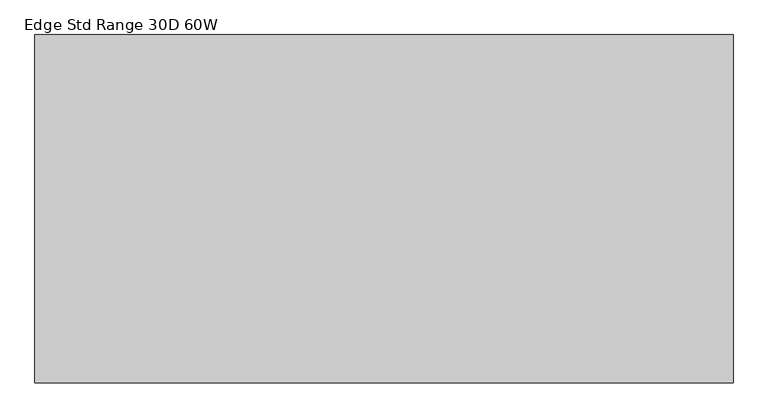
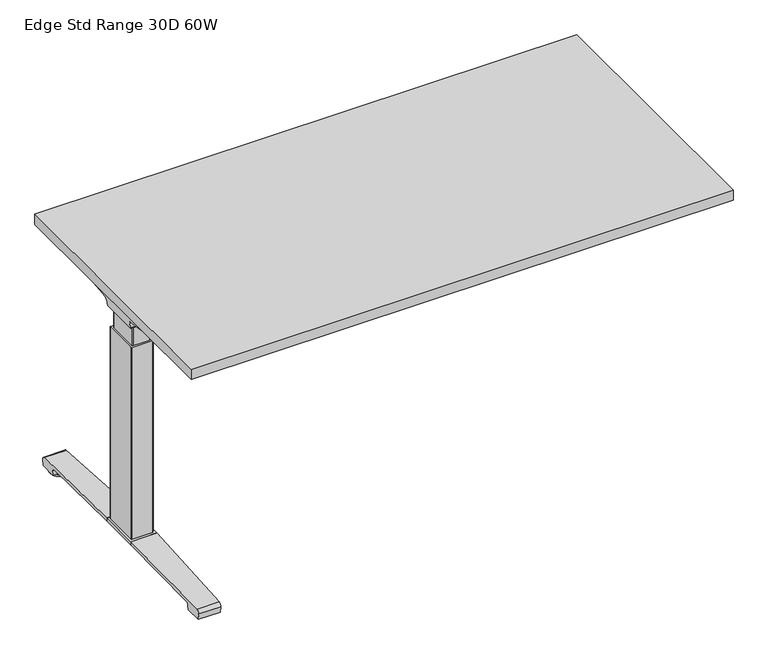
"""IFC4 building model written with IfcOpenShell, lengths in millimetres: furniture geometry, Edge Std Range 30D 60W."""

from ifc_helpers import new_model, si_unit, point, frame, frame_2d, origin, place, context, project, spatial, polyline, circle_curve, ellipse_curve, trimmed, segment, composite_curve, outline, extrude, source, transform, mapped, element, save
from ifc_brep_helpers import plane_surface, cylinder_surface, revolved_surface, advanced_brep


def edge_std_range_30d_60w_d3fcf947(model_context):
    return source(origin(), model_context, "Body", "SolidModel", [
        extrude(outline(polyline([(735.076, 366.776), (735.076, -366.776), (-735.076, -366.776), (-735.076, 366.776), (735.076, 366.776)])), frame((0.0, 0.0, 707.009), z_axis=(0.0, 0.0, 1.0), x_axis=(1.0, 0.0, 0.0)), (0.0, 0.0, 1.0), 29.591),
        advanced_brep(
        [(-718.7406297, 53.5092702, 658.5915733), (-553.0122138, 53.5092702, 658.5915733), (-567.3924181, 51.2808169, 655.9442785), (-716.2518591, 51.2808169, 655.9442785), (-718.9625278, 53.518256, 658.8276054), (-721.3619089, 54.1622827, 675.7443054), (-538.5773962, 54.1622827, 675.7443054), (-538.5773962, 53.8142965, 666.6037253), (-541.4075093, 53.7331058, 664.4710821), (-541.5501644, 53.6554397, 662.4310191), (-722.2185362, 59.6293181, 681.7839076), (-538.5773962, 59.6293181, 681.7839076), (-724.7393767, 174.2005225, 699.5569507), (-660.5243442, 174.2005225, 699.5569507), (-538.5773962, 93.3958, 687.0219877), (-724.8128152, 177.9765275, 700.0747243), (-666.2229255, 177.9765275, 700.0747243), (-725.4871296, 179.4867839, 704.8289399), (-723.7021288, 176.9098888, 707.009), (-664.6132011, 176.9098888, 707.009), (-725.4871296, -179.4867839, 704.8289399), (-724.8128152, -177.9765275, 700.0747243), (-666.2229255, -177.9765275, 700.0747243), (-664.6132011, -176.9098888, 707.009), (-723.7021288, -176.9098888, 707.009), (-724.7393767, -174.2005225, 699.5569507), (-660.5243442, -174.2005225, 699.5569507), (-722.2185362, -59.6293181, 681.7839076), (-538.5773962, -59.6293181, 681.7839076), (-538.5773962, -93.3958, 687.0219877), (-721.3619089, -54.1622827, 675.7443054), (-538.5773962, -54.1622827, 675.7443054), (-718.9625278, -53.518256, 658.8276054), (-718.7406297, -53.5092702, 658.5915733), (-553.0122138, -53.5092702, 658.5915733), (-541.5501644, -53.6554397, 662.4310191), (-541.4075093, -53.7331058, 664.4710821), (-538.5773962, -53.8142965, 666.6037253), (-716.2518591, -51.2808169, 655.9442785), (-567.3924181, -51.2808169, 655.9442785), (-538.5773962, -93.3958, 707.009), (-538.5773962, 93.3958, 707.009)],
        [
            (0, 1),
            (1, 2, ellipse_curve(frame((-577.2936465, 130.5470009, 750.1086722), z_axis=(0.0, 0.7650318638532662, -0.6439924279750482), x_axis=(0.0, 0.6439924279750482, 0.7650318638532662)), 123.7641411, 94.6835116)),
            (2, 3),
            (3, 0),
            (0, 4),
            (4, 5),
            (5, 6),
            (6, 7),
            (7, 8),
            (8, 9),
            (9, 1, ellipse_curve(frame((-577.2936465, 56.9933686, 750.1086722), z_axis=(0.0, 0.999276106683639, -0.03804290487316255), x_axis=(0.0, 0.03804290487316397, 0.999276106683639)), 94.752102, 94.6835116)),
            (5, 10, ellipse_curve(frame((-721.3119691, 60.6208409, 675.3922075), z_axis=(-0.990090671484964, 0.0, -0.14042956326377007), x_axis=(-0.1404295632637696, 0.0, 0.990090671484964)), 6.5328852, 6.4681487)),
            (10, 11),
            (11, 6, circle_curve(frame((-538.5773962, 60.6208409, 675.3922075), z_axis=(1.0, 0.0, 0.0), x_axis=(0.0, 1.0, 0.0)), 6.4681487)),
            (10, 12),
            (12, 13),
            (13, 14),
            (14, 11),
            (12, 15),
            (15, 16),
            (16, 13),
            (15, 17, ellipse_curve(frame((-725.2730772, 175.9994111, 703.3197755), z_axis=(0.990090671484964, 0.0, 0.14042956326377007), x_axis=(0.1404295632637696, 0.0, -0.990090671484964)), 3.8379455, 3.7999141)),
            (17, 18, ellipse_curve(frame((-726.722811, 175.9994111, 703.3197755), z_axis=(0.7737284588433301, 0.0, -0.6335173809580328), x_axis=(0.6335173809580328, 0.0, 0.77372845884333)), 4.9111727, 3.7999141)),
            (18, 19),
            (19, 16, ellipse_curve(frame((-663.239148, 175.9994111, 703.3197755), z_axis=(-0.5523637579768189, -0.8336031902972338, 0.0), x_axis=(0.8336031902972338, -0.5523637579768189, 0.0)), 6.8793689, 3.7999141)),
            (20, 21, ellipse_curve(frame((-725.2730772, -175.9994111, 703.3197755), z_axis=(0.990090671484964, 0.0, 0.14042956326377007), x_axis=(0.1404295632637696, 0.0, -0.990090671484964)), 3.8379455, 3.7999141)),
            (21, 22),
            (22, 23, ellipse_curve(frame((-663.239148, -175.9994111, 703.3197755), z_axis=(-0.5523637579750432, 0.8336031902984106, 0.0), x_axis=(0.8336031902984103, 0.5523637579750432, 0.0)), 6.8793689, 3.7999141)),
            (23, 24),
            (24, 20, ellipse_curve(frame((-726.722811, -175.9994111, 703.3197755), z_axis=(0.7737284588433301, 0.0, -0.6335173809580328), x_axis=(0.6335173809580328, 0.0, 0.77372845884333)), 4.9111727, 3.7999141)),
            (21, 25),
            (25, 26),
            (26, 22),
            (27, 28),
            (28, 29),
            (29, 26),
            (25, 27),
            (27, 30, ellipse_curve(frame((-721.3119691, -60.6208409, 675.3922075), z_axis=(-0.990090671484964, 0.0, -0.14042956326377007), x_axis=(-0.1404295632637696, 0.0, 0.990090671484964)), 6.5328852, 6.4681487)),
            (30, 31),
            (31, 28, circle_curve(frame((-538.5773962, -60.6208409, 675.3922075), z_axis=(1.0, 0.0, 0.0), x_axis=(0.0, 1.0, 0.0)), 6.4681487)),
            (30, 32),
            (32, 33),
            (33, 34),
            (34, 35, ellipse_curve(frame((-577.2936465, -56.9933686, 750.1086722), z_axis=(0.0, -0.9992761066836363, -0.03804290487323539), x_axis=(0.0, 0.03804290487323121, -0.9992761066836364)), 94.752102, 94.6835116)),
            (35, 36),
            (36, 37),
            (37, 31),
            (33, 38),
            (38, 39),
            (39, 34, ellipse_curve(frame((-577.2936465, -130.5470009, 750.1086722), z_axis=(0.0, -0.7650318638534733, -0.643992427974802), x_axis=(0.0, 0.643992427974802, -0.7650318638534732)), 123.7641411, 94.6835116)),
            (4, 32),
            (20, 17),
            (24, 18),
            (23, 40),
            (40, 41),
            (41, 19),
            (37, 7),
            (14, 41),
            (40, 29),
            (36, 8),
            (35, 9),
            (39, 2),
            (38, 3),
        ],
        [
            plane_surface(frame((-741.7773962, 51.2808169, 655.9442785), z_axis=(0.0, 0.7650318638532662, -0.6439924279750482), x_axis=(1.0, 0.0, 0.0))),
            plane_surface(frame((-741.7773962, 53.5092702, 658.5915733), z_axis=(0.0, 0.999276106683639, -0.03804290487316255), x_axis=(1.0, 0.0, 0.0))),
            revolved_surface(polyline([(-722.2293793154884, 67.08898959999999, 675.3922075), (-538.5773962, 67.08898959999999, 675.3922075)]), (-741.7773962, 60.6208409, 675.3922075), (-1.0, 0.0, 0.0)),
            plane_surface(frame((-741.7773962, 59.6293181, 681.7839076), z_axis=(0.0, 0.153293135871396, -0.9881807600306302), x_axis=(1.0, 0.0, 0.0))),
            plane_surface(frame((-741.7773962, 174.2005225, 699.5569507), z_axis=(0.0, 0.13585085469026903, -0.9907292996979162), x_axis=(1.0, 0.0, 0.0))),
            cylinder_surface(frame((-741.7773962, 175.9994111, 703.3197755), z_axis=(1.0, 0.0, 0.0), x_axis=(0.0, 1.0, 0.0)), 3.7999141),
            cylinder_surface(frame((-741.7773962, -175.9994111, 703.3197755), z_axis=(1.0, 0.0, 0.0), x_axis=(0.0, 1.0, 0.0)), 3.7999141),
            plane_surface(frame((-741.7773962, -177.9765275, 700.0747243), z_axis=(0.0, -0.13585085468791205, -0.9907292996982394), x_axis=(1.0, 0.0, 0.0))),
            plane_surface(frame((-741.7773962, -174.2005225, 699.5569507), z_axis=(0.0, -0.1532931358714066, -0.9881807600306285), x_axis=(1.0, 0.0, 0.0))),
            revolved_surface(polyline([(-722.2293793154884, -54.1526922, 675.3922075), (-538.5773962, -54.1526922, 675.3922075)]), (-741.7773962, -60.6208409, 675.3922075), (-1.0, 0.0, 0.0)),
            plane_surface(frame((-741.7773962, -54.1622827, 675.7443054), z_axis=(0.0, -0.9992761066836363, -0.03804290487323539), x_axis=(1.0, 0.0, 0.0))),
            plane_surface(frame((-741.7773962, -53.5092702, 658.5915733), z_axis=(0.0, -0.7650318638534733, -0.643992427974802), x_axis=(1.0, 0.0, 0.0))),
            plane_surface(frame((-718.9625278, 190.5, 658.8276054), z_axis=(-0.990090671484964, 0.0, -0.14042956326377007), x_axis=(0.0, -1.0, 0.0))),
            plane_surface(frame((-725.4871296, 190.5, 704.8289399), z_axis=(-0.7737284588433301, 0.0, 0.6335173809580328), x_axis=(0.0, -1.0, 0.0))),
            plane_surface(frame((-723.7021288, 190.5, 707.009), z_axis=(0.0, 0.0, 1.0), x_axis=(0.0, -1.0, 0.0))),
            plane_surface(frame((-538.5773962, 190.5, 707.009), z_axis=(1.0, 0.0, 0.0), x_axis=(0.0, -1.0, 0.0))),
            plane_surface(frame((-538.5773962, 190.5, 666.6037253), z_axis=(0.6018150231516033, 0.0, -0.7986355100476283), x_axis=(0.0, -1.0, 0.0))),
            plane_surface(frame((-541.4075093, 190.5, 664.4710821), z_axis=(0.9975640502600355, 0.0, -0.06975647374110414), x_axis=(0.0, -1.0, 0.0))),
            cylinder_surface(frame((-577.2936465, 190.5, 750.1086722), z_axis=(0.0, 1.0, 0.0), x_axis=(1.0, 0.0, 0.0)), 94.6835116),
            plane_surface(frame((-567.3924181, 190.5, 655.9442785), z_axis=(0.0, 0.0, -1.0), x_axis=(0.0, -1.0, 0.0))),
            plane_surface(frame((-716.2518591, 190.5, 655.9442785), z_axis=(-0.728584606419653, 0.0, -0.6849558170337118), x_axis=(0.0, -1.0, 0.0))),
            plane_surface(frame((-685.1228017, 190.5, 707.009), z_axis=(0.5523637579768189, 0.8336031902972338, 0.0), x_axis=(0.0, 0.0, -1.0))),
            plane_surface(frame((-538.5773962, -93.3958, 707.009), z_axis=(0.5523637579750432, -0.8336031902984106, 0.0), x_axis=(0.0, 0.0, -1.0))),
        ],
        [
            (0, [[1, 2, 3, 4]]),
            (1, [[-1, 5, 6, 7, 8, 9, 10, 11]]),
            (2, [[-7, 12, 13, 14]]),
            (3, [[-13, 15, 16, 17, 18]]),
            (4, [[19, 20, 21, -16]]),
            (5, [[22, 23, 24, 25, -20]]),
            (6, [[26, 27, 28, 29, 30]]),
            (7, [[31, 32, 33, -27]]),
            (8, [[34, 35, 36, -32, 37]]),
            (9, [[-34, 38, 39, 40]]),
            (10, [[-39, 41, 42, 43, 44, 45, 46, 47]]),
            (11, [[-43, 48, 49, 50]]),
            (12, [[51, -41, -38, -37, -31, -26, 52, -22, -19, -15, -12, -6]]),
            (13, [[-52, -30, 53, -23]]),
            (14, [[-53, -29, 54, 55, 56, -24]]),
            (15, [[57, -8, -14, -18, 58, -55, 59, -35, -40, -47]]),
            (16, [[-57, -46, 60, -9]]),
            (17, [[-60, -45, 61, -10]]),
            (18, [[-61, -44, -50, 62, -2, -11]]),
            (19, [[-62, -49, 63, -3]]),
            (20, [[-51, -5, -4, -63, -48, -42]]),
            (21, [[-56, -58, -17, -21, -25]]),
            (22, [[-54, -28, -33, -36, -59]]),
        ],
    ),
        advanced_brep(
        [(553.0122138, 53.5092702, 658.5915733), (718.7406297, 53.5092702, 658.5915733), (716.2518591, 51.2808169, 655.9442785), (567.3924181, 51.2808169, 655.9442785), (541.5501644, 53.6554397, 662.4310191), (541.4075093, 53.7331058, 664.4710821), (538.7619573, 53.8090018, 666.4646485), (538.7619573, 54.1622827, 675.7443054), (721.3619089, 54.1622827, 675.7443054), (718.9625278, 53.518256, 658.8276054), (538.7619573, 59.6293181, 681.7839076), (722.2185362, 59.6293181, 681.7839076), (538.7619573, 93.3889953, 687.0209321), (660.5570453, 174.2005225, 699.5569507), (724.7393767, 174.2005225, 699.5569507), (724.8128152, 177.9765275, 700.0747243), (666.2480509, 177.9765275, 700.0747243), (725.4871296, 179.4867839, 704.8289399), (664.6404665, 176.9098888, 707.009), (723.7021288, 176.9098888, 707.009), (724.8128152, -177.9765275, 700.0747243), (725.4871296, -179.4867839, 704.8289399), (723.7021288, -176.9098888, 707.009), (664.6404665, -176.9098888, 707.009), (666.2480509, -177.9765275, 700.0747243), (724.7393767, -174.2005225, 699.5569507), (660.5570453, -174.2005225, 699.5569507), (538.7619573, -59.6293181, 681.7839076), (722.2185362, -59.6293181, 681.7839076), (538.7619573, -93.3889953, 687.0209321), (538.7619573, -54.1622827, 675.7443054), (721.3619089, -54.1622827, 675.7443054), (538.7619573, -53.8090018, 666.4646485), (541.4075093, -53.7331058, 664.4710821), (541.5501644, -53.6554397, 662.4310191), (553.0122138, -53.5092702, 658.5915733), (718.7406297, -53.5092702, 658.5915733), (718.9625278, -53.518256, 658.8276054), (567.3924181, -51.2808169, 655.9442785), (716.2518591, -51.2808169, 655.9442785), (538.7619573, 93.3889953, 707.009), (538.7619573, -93.3889953, 707.009)],
        [
            (0, 1),
            (1, 2),
            (2, 3),
            (3, 0, ellipse_curve(frame((577.2936465, 130.5470009, 750.1086722), z_axis=(0.0, 0.7650318638532565, -0.6439924279750596), x_axis=(0.0, -0.6439924279750596, -0.7650318638532564)), 123.7641411, 94.6835116)),
            (0, 4, ellipse_curve(frame((577.2936465, 56.9933686, 750.1086722), z_axis=(0.0, 0.9992761066836392, -0.03804290487315862), x_axis=(0.0, -0.03804290487315623, -0.9992761066836393)), 94.752102, 94.6835116)),
            (4, 5),
            (5, 6),
            (6, 7),
            (7, 8),
            (8, 9),
            (9, 1),
            (7, 10, circle_curve(frame((538.7619573, 60.6208409, 675.3922075), z_axis=(-1.0, 0.0, 0.0), x_axis=(0.0, 1.0, 0.0)), 6.4681487)),
            (10, 11),
            (11, 8, ellipse_curve(frame((721.3119691, 60.6208409, 675.3922075), z_axis=(0.9900906714849659, 0.0, -0.1404295632637567), x_axis=(-0.1404295632637562, 0.0, -0.9900906714849659)), 6.5328852, 6.4681487)),
            (10, 12),
            (12, 13),
            (13, 14),
            (14, 11),
            (15, 14),
            (13, 16),
            (16, 15),
            (17, 15, ellipse_curve(frame((725.2730772, 175.9994111, 703.3197755), z_axis=(-0.9900906714849659, 0.0, 0.1404295632637567), x_axis=(0.1404295632637562, 0.0, 0.9900906714849659)), 3.8379455, 3.7999141)),
            (16, 18, ellipse_curve(frame((663.26824, 175.9994111, 703.3197755), z_axis=(0.5528743936295483, -0.8332646067539168, 0.0), x_axis=(0.8332646067539167, 0.5528743936295484, 0.0)), 6.8730151, 3.7999141)),
            (18, 19),
            (19, 17, ellipse_curve(frame((726.722811, 175.9994111, 703.3197755), z_axis=(-0.7737284588399557, 0.0, -0.633517380962154), x_axis=(0.6335173809621538, 0.0, -0.7737284588399556)), 4.9111727, 3.7999141)),
            (20, 21, ellipse_curve(frame((725.2730772, -175.9994111, 703.3197755), z_axis=(-0.9900906714849659, 0.0, 0.1404295632637567), x_axis=(0.1404295632637562, 0.0, 0.9900906714849659)), 3.8379455, 3.7999141)),
            (21, 22, ellipse_curve(frame((726.722811, -175.9994111, 703.3197755), z_axis=(-0.7737284588399557, 0.0, -0.633517380962154), x_axis=(0.6335173809621538, 0.0, -0.7737284588399556)), 4.9111727, 3.7999141)),
            (22, 23),
            (23, 24, ellipse_curve(frame((663.26824, -175.9994111, 703.3197755), z_axis=(0.5528743936295337, 0.8332646067539264, 0.0), x_axis=(0.8332646067539262, -0.5528743936295338, 0.0)), 6.8730151, 3.7999141)),
            (24, 20),
            (25, 20),
            (24, 26),
            (26, 25),
            (27, 28),
            (28, 25),
            (26, 29),
            (29, 27),
            (27, 30, circle_curve(frame((538.7619573, -60.6208409, 675.3922075), z_axis=(-1.0, 0.0, 0.0), x_axis=(0.0, 1.0, 0.0)), 6.4681487)),
            (30, 31),
            (31, 28, ellipse_curve(frame((721.3119691, -60.6208409, 675.3922075), z_axis=(0.9900906714849659, 0.0, -0.1404295632637567), x_axis=(-0.1404295632637562, 0.0, -0.9900906714849659)), 6.5328852, 6.4681487)),
            (30, 32),
            (32, 33),
            (33, 34),
            (34, 35, ellipse_curve(frame((577.2936465, -56.9933686, 750.1086722), z_axis=(0.0, -0.9992761066836363, -0.03804290487323539), x_axis=(0.0, -0.03804290487323121, 0.9992761066836364)), 94.752102, 94.6835116)),
            (35, 36),
            (36, 37),
            (37, 31),
            (35, 38, ellipse_curve(frame((577.2936465, -130.5470009, 750.1086722), z_axis=(0.0, -0.7650318638534733, -0.643992427974802), x_axis=(0.0, -0.643992427974802, 0.7650318638534732)), 123.7641411, 94.6835116)),
            (38, 39),
            (39, 36),
            (37, 9),
            (17, 21),
            (19, 22),
            (18, 40),
            (40, 41),
            (41, 23),
            (6, 32),
            (29, 41),
            (40, 12),
            (5, 33),
            (4, 34),
            (3, 38),
            (2, 39),
        ],
        [
            plane_surface(frame((538.7619573, 51.2808169, 655.9442785), z_axis=(0.0, 0.7650318638532565, -0.6439924279750596), x_axis=(1.0, 0.0, 0.0))),
            plane_surface(frame((538.7619573, 53.5092702, 658.5915733), z_axis=(0.0, 0.9992761066836392, -0.03804290487315862), x_axis=(1.0, 0.0, 0.0))),
            revolved_surface(polyline([(538.7619573, 67.08898959999999, 675.3922075), (722.2293793154884, 67.08898959999999, 675.3922075)]), (538.7619573, 60.6208409, 675.3922075), (-1.0, 0.0, 0.0)),
            plane_surface(frame((538.7619573, 59.6293181, 681.7839076), z_axis=(0.0, 0.15329313587140309, -0.988180760030629), x_axis=(1.0, 0.0, 0.0))),
            plane_surface(frame((538.7619573, 174.2005225, 699.5569507), z_axis=(0.0, 0.1358508546900816, -0.9907292996979419), x_axis=(1.0, 0.0, 0.0))),
            cylinder_surface(frame((538.7619573, 175.9994111, 703.3197755), z_axis=(1.0, 0.0, 0.0), x_axis=(0.0, 1.0, 0.0)), 3.7999141),
            cylinder_surface(frame((538.7619573, -175.9994111, 703.3197755), z_axis=(1.0, 0.0, 0.0), x_axis=(0.0, 1.0, 0.0)), 3.7999141),
            plane_surface(frame((538.7619573, -177.9765275, 700.0747243), z_axis=(0.0, -0.1358508546877776, -0.9907292996982578), x_axis=(1.0, 0.0, 0.0))),
            plane_surface(frame((538.7619573, -174.2005225, 699.5569507), z_axis=(0.0, -0.15329313587141113, -0.9881807600306277), x_axis=(1.0, 0.0, 0.0))),
            revolved_surface(polyline([(538.7619573, -54.1526922, 675.3922075), (722.2293793154884, -54.1526922, 675.3922075)]), (538.7619573, -60.6208409, 675.3922075), (-1.0, 0.0, 0.0)),
            plane_surface(frame((538.7619573, -54.1622827, 675.7443054), z_axis=(0.0, -0.9992761066836363, -0.03804290487323539), x_axis=(1.0, 0.0, 0.0))),
            plane_surface(frame((538.7619573, -53.5092702, 658.5915733), z_axis=(0.0, -0.7650318638534733, -0.643992427974802), x_axis=(1.0, 0.0, 0.0))),
            plane_surface(frame((718.9625278, -190.5, 658.8276054), z_axis=(0.9900906714849659, 0.0, -0.1404295632637567), x_axis=(0.0, 1.0, 0.0))),
            plane_surface(frame((725.4871296, -190.5, 704.8289399), z_axis=(0.7737284588399557, 0.0, 0.633517380962154), x_axis=(0.0, 1.0, 0.0))),
            plane_surface(frame((723.7021288, -190.5, 707.009), z_axis=(0.0, 0.0, 1.0), x_axis=(0.0, 1.0, 0.0))),
            plane_surface(frame((538.7619573, -190.5, 707.009), z_axis=(-1.0, 0.0, 0.0), x_axis=(0.0, 1.0, 0.0))),
            plane_surface(frame((538.7619573, -190.5, 666.4646485), z_axis=(-0.6018150231540825, 0.0, -0.7986355100457599), x_axis=(0.0, 1.0, 0.0))),
            plane_surface(frame((541.4075093, -190.5, 664.4710821), z_axis=(-0.9975640502598242, 0.0, -0.06975647374412697), x_axis=(0.0, 1.0, 0.0))),
            cylinder_surface(frame((577.2936465, -190.5, 750.1086722), z_axis=(0.0, -1.0, 0.0), x_axis=(-1.0, 0.0, 0.0)), 94.6835116),
            plane_surface(frame((567.3924181, -190.5, 655.9442785), z_axis=(0.0, 0.0, -1.0), x_axis=(0.0, 1.0, 0.0))),
            plane_surface(frame((716.2518591, -190.5, 655.9442785), z_axis=(0.7285846064222866, 0.0, -0.6849558170309101), x_axis=(0.0, 1.0, 0.0))),
            plane_surface(frame((538.7619573, 93.3889953, 707.009), z_axis=(-0.5528743936295483, 0.8332646067539168, 0.0), x_axis=(0.0, 0.0, -1.0))),
            plane_surface(frame((685.1228017, -190.5, 707.009), z_axis=(-0.5528743936295337, -0.8332646067539264, 0.0), x_axis=(0.0, 0.0, -1.0))),
        ],
        [
            (0, [[1, 2, 3, 4]]),
            (1, [[-1, 5, 6, 7, 8, 9, 10, 11]]),
            (2, [[-9, 12, 13, 14]]),
            (3, [[-13, 15, 16, 17, 18]]),
            (4, [[19, -17, 20, 21]]),
            (5, [[22, -21, 23, 24, 25]]),
            (6, [[26, 27, 28, 29, 30]]),
            (7, [[31, -30, 32, 33]]),
            (8, [[34, 35, -33, 36, 37]]),
            (9, [[-34, 38, 39, 40]]),
            (10, [[-39, 41, 42, 43, 44, 45, 46, 47]]),
            (11, [[-45, 48, 49, 50]]),
            (12, [[51, -10, -14, -18, -19, -22, 52, -26, -31, -35, -40, -47]]),
            (13, [[-52, -25, 53, -27]]),
            (14, [[-53, -24, 54, 55, 56, -28]]),
            (15, [[57, -41, -38, -37, 58, -55, 59, -15, -12, -8]]),
            (16, [[-57, -7, 60, -42]]),
            (17, [[-60, -6, 61, -43]]),
            (18, [[-61, -5, -4, 62, -48, -44]]),
            (19, [[-62, -3, 63, -49]]),
            (20, [[-51, -46, -50, -63, -2, -11]]),
            (21, [[-54, -23, -20, -16, -59]]),
            (22, [[-56, -58, -36, -32, -29]]),
        ],
    ),
        advanced_brep(
        [(-538.5773962, 78.6831697, 701.7794894), (-538.5773962, 80.4475242, 704.0075511), (-538.5773962, 91.4281225, 704.0075511), (-538.5773962, 92.1582919, 701.4093085), (-538.5773962, 70.7319108, 671.8462148), (-538.5773962, 53.3310914, 663.2452863), (-538.5773962, -53.4567844, 663.2452863), (-538.5773962, -71.0845783, 672.2997482), (-538.5773962, -92.4192862, 702.0706054), (-538.5773962, -90.7807234, 704.1266572), (-538.5773962, -80.5655902, 704.1266572), (-538.5773962, -78.6946152, 701.7794894), (-538.5773962, -79.4358363, 701.2423822), (-538.5773962, -81.0060637, 703.2122572), (-538.5773962, -90.6846762, 703.2122572), (-538.5773962, -91.4905649, 702.3444366), (-538.5773962, -70.3413256, 672.8323858), (-538.5773962, -53.4567844, 664.1598536), (-538.5773962, 53.3310914, 664.1596863), (-538.5773962, 69.99844, 672.3923713), (-538.5773962, 91.3521627, 701.8552144), (-538.5773962, 91.0948942, 703.0931511), (-538.5773962, 80.889809, 703.0931511), (-538.5773962, 79.4242719, 701.2424419), (538.7619573, 78.6831697, 701.7794894), (538.7619573, 79.4242719, 701.2424419), (538.7619573, 80.889809, 703.0931511), (538.7619573, 91.0948942, 703.0931511), (538.7619573, 91.3521627, 701.8552144), (538.7619573, 69.99844, 672.3923713), (538.7619573, 53.3310914, 664.1596863), (538.7619573, -53.4567845, 664.1596863), (538.7619573, -70.3413256, 672.8323858), (538.7619573, -91.4905649, 702.3444366), (538.7619573, -90.6846762, 703.2122572), (538.7619573, -81.0060637, 703.2122572), (538.7619573, -79.4358363, 701.2423822), (538.7619573, -78.6946152, 701.7794894), (538.7619573, -80.5655902, 704.1266572), (538.7619573, -90.7807234, 704.1266572), (538.7619573, -92.4192862, 702.0706054), (538.7619573, -71.0845783, 672.2997482), (538.7619573, -53.4567844, 663.2454536), (538.7619573, 53.3310914, 663.2452863), (538.7619573, 70.7319108, 671.8462148), (538.7619573, 92.1582919, 701.4093085), (538.7619573, 91.4281225, 704.0075511), (538.7619573, 80.4475242, 704.0075511)],
        [
            (0, 1),
            (1, 2),
            (2, 3, circle_curve(frame((-538.5773962, 90.2105576, 702.2636667), z_axis=(-1.0, 0.0, 0.0), x_axis=(0.0, 1.0, 0.0)), 2.1268749)),
            (3, 4),
            (4, 5, circle_curve(frame((-538.5773962, 53.3310914, 685.1478336), z_axis=(-1.0, 0.0, 0.0), x_axis=(0.0, 1.0, 0.0)), 21.9025472)),
            (5, 6),
            (6, 7, circle_curve(frame((-538.5773962, -53.4567844, 684.932365), z_axis=(-1.0, 0.0, 0.0), x_axis=(0.0, 1.0, 0.0)), 21.6869114)),
            (7, 8),
            (8, 9, circle_curve(frame((-538.5773962, -90.4189365, 702.1573833), z_axis=(-1.0, 0.0, 0.0), x_axis=(0.0, 1.0, 0.0)), 2.0022311)),
            (9, 10),
            (10, 11),
            (11, 12),
            (12, 13),
            (13, 14),
            (14, 15, circle_curve(frame((-538.5773962, -90.4189365, 702.1573833), z_axis=(1.0, 0.0, 0.0), x_axis=(0.0, 1.0, 0.0)), 1.0878311)),
            (15, 16),
            (16, 17, circle_curve(frame((-538.5773962, -53.4567844, 684.932365), z_axis=(1.0, 0.0, 0.0), x_axis=(0.0, 1.0, 0.0)), 20.7725114)),
            (17, 18),
            (18, 19, circle_curve(frame((-538.5773962, 53.3310914, 685.1478336), z_axis=(1.0, 0.0, 0.0), x_axis=(0.0, 1.0, 0.0)), 20.9881473)),
            (19, 20),
            (20, 21, circle_curve(frame((-538.5773962, 90.2105576, 702.2636667), z_axis=(1.0, 0.0, 0.0), x_axis=(0.0, 1.0, 0.0)), 1.2124749)),
            (21, 22),
            (22, 23),
            (23, 0),
            (24, 25),
            (25, 26),
            (26, 27),
            (27, 28, circle_curve(frame((538.7619573, 90.2105576, 702.2636667), z_axis=(-1.0, 0.0, 0.0), x_axis=(0.0, 1.0, 0.0)), 1.2124749)),
            (28, 29),
            (29, 30, circle_curve(frame((538.7619573, 53.3310914, 685.1478336), z_axis=(-1.0, 0.0, 0.0), x_axis=(0.0, 1.0, 0.0)), 20.9881473)),
            (30, 31),
            (31, 32, circle_curve(frame((538.7619573, -53.4567844, 684.932365), z_axis=(-1.0, 0.0, 0.0), x_axis=(0.0, 1.0, 0.0)), 20.7725114)),
            (32, 33),
            (33, 34, circle_curve(frame((538.7619573, -90.4189365, 702.1573833), z_axis=(-1.0, 0.0, 0.0), x_axis=(0.0, 1.0, 0.0)), 1.0878311)),
            (34, 35),
            (35, 36),
            (36, 37),
            (37, 38),
            (38, 39),
            (39, 40, circle_curve(frame((538.7619573, -90.4189365, 702.1573833), z_axis=(1.0, 0.0, 0.0), x_axis=(0.0, 1.0, 0.0)), 2.0022311)),
            (40, 41),
            (41, 42, circle_curve(frame((538.7619573, -53.4567844, 684.932365), z_axis=(1.0, 0.0, 0.0), x_axis=(0.0, 1.0, 0.0)), 21.6869114)),
            (42, 43),
            (43, 44, circle_curve(frame((538.7619573, 53.3310914, 685.1478336), z_axis=(1.0, 0.0, 0.0), x_axis=(0.0, 1.0, 0.0)), 21.9025472)),
            (44, 45),
            (45, 46, circle_curve(frame((538.7619573, 90.2105576, 702.2636667), z_axis=(1.0, 0.0, 0.0), x_axis=(0.0, 1.0, 0.0)), 2.1268749)),
            (46, 47),
            (47, 24),
            (0, 24),
            (47, 1),
            (46, 2),
            (45, 3),
            (44, 4),
            (43, 5),
            (42, 6),
            (41, 7),
            (40, 8),
            (39, 9),
            (38, 10),
            (37, 11),
            (36, 12),
            (35, 13),
            (34, 14),
            (33, 15),
            (32, 16),
            (31, 17),
            (30, 18),
            (29, 19),
            (28, 20),
            (27, 21),
            (26, 22),
            (25, 23),
        ],
        [
            plane_surface(frame((-538.5773962, 0.0, 707.009), z_axis=(-1.0, 0.0, 0.0), x_axis=(0.0, 0.0, 1.0))),
            plane_surface(frame((538.7619573, 0.0, 707.009), z_axis=(1.0, 0.0, 0.0), x_axis=(0.0, 0.0, 1.0))),
            plane_surface(frame((-538.5773962, 78.6831697, 701.7794894), z_axis=(0.0, -0.7839649337165058, 0.6208051084703434), x_axis=(1.0, 0.0, 0.0))),
            plane_surface(frame((-538.5773962, 80.4475242, 704.0075511), z_axis=(0.0, 0.0, 1.0), x_axis=(1.0, 0.0, 0.0))),
            cylinder_surface(frame((-538.5773962, 90.2105576, 702.2636667), z_axis=(-1.0, 0.0, 0.0), x_axis=(0.0, 1.0, 0.0)), 2.1268749),
            plane_surface(frame((-538.5773962, 92.1582919, 701.4093085), z_axis=(0.0, 0.8096997445281038, -0.586844377762217), x_axis=(1.0, 0.0, 0.0))),
            cylinder_surface(frame((-538.5773962, 53.3310914, 685.1478336), z_axis=(-1.0, 0.0, 0.0), x_axis=(0.0, 1.0, 0.0)), 21.9025472),
            plane_surface(frame((-538.5773962, 53.3310914, 663.2452863), z_axis=(0.0, 0.0, -1.0), x_axis=(1.0, 0.0, 0.0))),
            cylinder_surface(frame((-538.5773962, -53.4567844, 684.932365), z_axis=(-1.0, 0.0, 0.0), x_axis=(0.0, 1.0, 0.0)), 21.6869114),
            plane_surface(frame((-538.5773962, -71.0845783, 672.2997482), z_axis=(0.0, -0.8128309997561537, -0.5824995844079305), x_axis=(1.0, 0.0, 0.0))),
            cylinder_surface(frame((-538.5773962, -90.4189365, 702.1573833), z_axis=(-1.0, 0.0, 0.0), x_axis=(0.0, 1.0, 0.0)), 2.0022311),
            plane_surface(frame((-538.5773962, -90.7807234, 704.1266572), z_axis=(0.0, 0.0, 1.0), x_axis=(1.0, 0.0, 0.0))),
            plane_surface(frame((-538.5773962, -80.5655902, 704.1266572), z_axis=(0.0, 0.7819660587237972, 0.6233210112004657), x_axis=(1.0, 0.0, 0.0))),
            plane_surface(frame((-538.5773962, -78.6946152, 701.7794894), z_axis=(0.0, 0.5867684336468096, -0.8097547809526473), x_axis=(1.0, 0.0, 0.0))),
            plane_surface(frame((-538.5773962, -79.4358363, 701.2423822), z_axis=(0.0, -0.7819660587239206, -0.6233210112003109), x_axis=(1.0, 0.0, 0.0))),
            plane_surface(frame((-538.5773962, -81.0060637, 703.2122572), z_axis=(0.0, 0.0, -1.0), x_axis=(1.0, 0.0, 0.0))),
            revolved_surface(polyline([(538.7619573000001, -89.3311054, 702.1573833), (-538.5773962, -89.3311054, 702.1573833)]), (-538.5773962, -90.4189365, 702.1573833), (1.0, 0.0, 0.0)),
            plane_surface(frame((-538.5773962, -91.4905649, 702.3444366), z_axis=(0.0, 0.8128309996716102, 0.582499584525904), x_axis=(1.0, 0.0, 0.0))),
            revolved_surface(polyline([(538.7619573000001, -32.684273, 684.932365), (-538.5773962, -32.684273, 684.932365)]), (-538.5773962, -53.4567844, 684.932365), (1.0, 0.0, 0.0)),
            plane_surface(frame((-538.5773962, -53.4567845, 664.1596863), z_axis=(0.0, 0.0, 1.0), x_axis=(1.0, 0.0, 0.0))),
            revolved_surface(polyline([(538.7619573000001, 74.3192387, 685.1478336), (-538.5773962, 74.3192387, 685.1478336)]), (-538.5773962, 53.3310914, 685.1478336), (1.0, 0.0, 0.0)),
            plane_surface(frame((-538.5773962, 69.99844, 672.3923713), z_axis=(0.0, -0.8096997449536107, 0.5868443771751228), x_axis=(1.0, 0.0, 0.0))),
            revolved_surface(polyline([(538.7619573000001, 91.4230325, 702.2636667), (-538.5773962, 91.4230325, 702.2636667)]), (-538.5773962, 90.2105576, 702.2636667), (1.0, 0.0, 0.0)),
            plane_surface(frame((-538.5773962, 91.0948942, 703.0931511), z_axis=(0.0, 0.0, -1.0), x_axis=(1.0, 0.0, 0.0))),
            plane_surface(frame((-538.5773962, 80.889809, 703.0931511), z_axis=(0.0, 0.7839649337164979, -0.6208051084703533), x_axis=(1.0, 0.0, 0.0))),
            plane_surface(frame((-538.5773962, 79.4242719, 701.2424419), z_axis=(0.0, -0.5867873637752554, -0.8097410633737715), x_axis=(1.0, 0.0, 0.0))),
        ],
        [
            (0, [[1, 2, 3, 4, 5, 6, 7, 8, 9, 10, 11, 12, 13, 14, 15, 16, 17, 18, 19, 20, 21, 22, 23, 24]]),
            (1, [[25, 26, 27, 28, 29, 30, 31, 32, 33, 34, 35, 36, 37, 38, 39, 40, 41, 42, 43, 44, 45, 46, 47, 48]]),
            (2, [[-1, 49, -48, 50]]),
            (3, [[-2, -50, -47, 51]]),
            (4, [[-3, -51, -46, 52]]),
            (5, [[-4, -52, -45, 53]]),
            (6, [[-5, -53, -44, 54]]),
            (7, [[-6, -54, -43, 55]]),
            (8, [[-7, -55, -42, 56]]),
            (9, [[-8, -56, -41, 57]]),
            (10, [[-9, -57, -40, 58]]),
            (11, [[-10, -58, -39, 59]]),
            (12, [[-11, -59, -38, 60]]),
            (13, [[-12, -60, -37, 61]]),
            (14, [[-13, -61, -36, 62]]),
            (15, [[-14, -62, -35, 63]]),
            (16, [[-15, -63, -34, 64]]),
            (17, [[-16, -64, -33, 65]]),
            (18, [[-17, -65, -32, 66]]),
            (19, [[-18, -66, -31, 67]]),
            (20, [[-19, -67, -30, 68]]),
            (21, [[-20, -68, -29, 69]]),
            (22, [[-21, -69, -28, 70]]),
            (23, [[-22, -70, -27, 71]]),
            (24, [[-23, -71, -26, 72]]),
            (25, [[-24, -72, -25, -49]]),
        ],
    ),
        extrude(outline(composite_curve([segment(polyline([(-85.2357617, 705.3739712), (-93.5160102, 705.3739712), (-94.0273408, 704.3565876), (-71.001647, 672.4872047)]), True, "CONTINUOUS"), segment(trimmed(circle_curve(frame_2d((-52.8576186, 688.0741393)), 23.9198306), [point((-71.001647, 672.4872047))], [point((-52.8576186, 664.1543087))], True, "CARTESIAN"), True, "CONTINUOUS"), segment(polyline([(-52.8576186, 664.1543087), (160.8304611, 664.1543087)]), True, "CONTINUOUS"), segment(trimmed(circle_curve(frame_2d((161.6245677, 686.2522042)), 22.1121593), [point((160.8304611, 664.1543087))], [point((179.5297793, 673.2771903))], True, "CARTESIAN"), True, "CONTINUOUS"), segment(polyline([(179.5297793, 673.2771903), (201.4820672, 703.5708273), (202.2225039, 703.0342821), (180.2702102, 672.740637)]), True, "CONTINUOUS"), segment(trimmed(circle_curve(frame_2d((161.6245677, 686.2522042)), 23.0265593), [point((180.2702102, 672.740637))], [point((160.814203, 663.2399087))], False, "CARTESIAN"), True, "CONTINUOUS"), segment(polyline([(160.814203, 663.2399087), (-52.8576186, 663.2399087)]), True, "CONTINUOUS"), segment(trimmed(circle_curve(frame_2d((-52.8576186, 688.0741393)), 24.8342306), [point((-52.8576186, 663.2399087))], [point((-71.7205231, 671.9208163))], False, "CARTESIAN"), True, "CONTINUOUS"), segment(polyline([(-71.7205231, 671.9208163), (-95.0936869, 704.2711252), (-94.0798316, 706.2883712), (-84.9968781, 706.2883712), (-85.2357617, 705.3739712)]), True, "CONTINUOUS")], self_intersect=False)), frame((-538.5773962, 0.0, 0.0), z_axis=(1.0, 0.0, 0.0), x_axis=(0.0, 1.0, 0.0)), (0.0, 0.0, 1.0), 1077.3393535),
        advanced_brep(
        [(662.3283088, 44.7482497, 655.9442785), (659.5624028, 42.3950111, 655.9442785), (659.5624028, -42.3786142, 655.9442785), (662.6159671, -44.728013, 655.9442785), (705.9299922, -44.7482497, 655.9442785), (708.9895972, -42.3785064, 655.9442785), (708.9895972, 42.3950956, 655.9442785), (706.2236912, 44.7482497, 655.9442785), (662.3283088, 44.7482497, 599.0990785), (706.2236912, 44.7482497, 599.0990785), (708.9895972, 42.3950956, 599.0990785), (708.9895972, -42.3785064, 599.0990785), (705.9360098, -44.7280077, 599.0990785), (662.6220078, -44.7482497, 599.0990785), (659.5624028, -42.3786142, 599.0990785), (659.5624028, 42.3950111, 599.0990785)],
        [
            (0, 1, circle_curve(frame((662.6300788, 41.5914719, 655.9442785), z_axis=(0.0, 0.0, 1.0), x_axis=(1.0, 0.0, 0.0)), 3.1711688)),
            (1, 2),
            (2, 3, circle_curve(frame((662.6159671, -41.568922, 655.9442785), z_axis=(0.0, 0.0, 1.0), x_axis=(1.0, 0.0, 0.0)), 3.1590911)),
            (3, 4),
            (4, 5, circle_curve(frame((705.9360098, -41.568922, 655.9442785), z_axis=(0.0, 0.0, 1.0), x_axis=(1.0, 0.0, 0.0)), 3.1590858)),
            (5, 6),
            (6, 7, circle_curve(frame((705.9219439, 41.5914698, 655.9442785), z_axis=(0.0, 0.0, 1.0), x_axis=(1.0, 0.0, 0.0)), 3.1711687)),
            (7, 0),
            (8, 9),
            (9, 10, circle_curve(frame((705.9219439, 41.5914698, 599.0990785), z_axis=(0.0, 0.0, -1.0), x_axis=(1.0, 0.0, 0.0)), 3.1711687)),
            (10, 11),
            (11, 12, circle_curve(frame((705.9360098, -41.568922, 599.0990785), z_axis=(0.0, 0.0, -1.0), x_axis=(1.0, 0.0, 0.0)), 3.1590858)),
            (12, 13),
            (13, 14, circle_curve(frame((662.6159671, -41.568922, 599.0990785), z_axis=(0.0, 0.0, -1.0), x_axis=(1.0, 0.0, 0.0)), 3.1590911)),
            (14, 15),
            (15, 8, circle_curve(frame((662.6300788, 41.5914719, 599.0990785), z_axis=(0.0, 0.0, -1.0), x_axis=(1.0, 0.0, 0.0)), 3.1711688)),
            (7, 9),
            (8, 0),
            (6, 10),
            (5, 11),
            (4, 12),
            (3, 13),
            (2, 14),
            (1, 15),
        ],
        [
            plane_surface(frame((665.8012476, 41.5914719, 655.9442785), z_axis=(0.0, 0.0, 1.0), x_axis=(0.0, 1.0, 0.0))),
            plane_surface(frame((665.8012476, 41.5914719, 599.0990785), z_axis=(0.0, 0.0, -1.0), x_axis=(0.0, -1.0, 0.0))),
            plane_surface(frame((706.2236912, 44.7482497, 655.9442785), z_axis=(0.0, 1.0, 0.0), x_axis=(0.0, 0.0, -1.0))),
            cylinder_surface(frame((705.9219439, 41.5914698, 599.0990785), z_axis=(0.0, 0.0, 1.0), x_axis=(1.0, 0.0, 0.0)), 3.1711687),
            plane_surface(frame((708.9895972, -42.3785064, 655.9442785), z_axis=(1.0, 0.0, 0.0), x_axis=(0.0, 0.0, -1.0))),
            cylinder_surface(frame((705.9360098, -41.568922, 599.0990785), z_axis=(0.0, 0.0, 1.0), x_axis=(1.0, 0.0, 0.0)), 3.1590858),
            plane_surface(frame((662.6220078, -44.7482497, 655.9442785), z_axis=(0.0, -1.0, 0.0), x_axis=(0.0, 0.0, -1.0))),
            cylinder_surface(frame((662.6159671, -41.568922, 599.0990785), z_axis=(0.0, 0.0, 1.0), x_axis=(1.0, 0.0, 0.0)), 3.1590911),
            plane_surface(frame((659.5624028, 42.3950111, 655.9442785), z_axis=(-1.0, 0.0, 0.0), x_axis=(0.0, 0.0, -1.0))),
            cylinder_surface(frame((662.6300788, 41.5914719, 599.0990785), z_axis=(0.0, 0.0, 1.0), x_axis=(1.0, 0.0, 0.0)), 3.1711688),
        ],
        [
            (0, [[1, 2, 3, 4, 5, 6, 7, 8]]),
            (1, [[9, 10, 11, 12, 13, 14, 15, 16]]),
            (2, [[-8, 17, -9, 18]]),
            (3, [[-7, 19, -10, -17]]),
            (4, [[-6, 20, -11, -19]]),
            (5, [[-5, 21, -12, -20]]),
            (6, [[-4, 22, -13, -21]]),
            (7, [[-3, 23, -14, -22]]),
            (8, [[-2, 24, -15, -23]]),
            (9, [[-1, -18, -16, -24]]),
        ],
    ),
        advanced_brep(
        [(-662.3283088, 44.7482497, 655.9442785), (-706.2236912, 44.7482497, 655.9442785), (-708.9806448, 42.4285241, 655.9442785), (-708.9806448, -42.4115492, 655.9442785), (-705.9360098, -44.7280077, 655.9442785), (-662.6220078, -44.7482497, 655.9442785), (-659.5713552, -42.4116525, 655.9442785), (-659.5713552, 42.4284433, 655.9442785), (-662.3283088, 44.7482497, 599.0990785), (-659.5713552, 42.4284433, 599.0990785), (-659.5713552, -42.4116525, 599.0990785), (-662.6159671, -44.728013, 599.0990785), (-705.9299922, -44.7482497, 599.0990785), (-708.9806448, -42.4115492, 599.0990785), (-708.9806448, 42.4285241, 599.0990785), (-706.2236912, 44.7482497, 599.0990785)],
        [
            (0, 1),
            (1, 2, circle_curve(frame((-705.9219439, 41.5914698, 655.9442785), z_axis=(0.0, 0.0, 1.0), x_axis=(-1.0, 0.0, 0.0)), 3.1711687)),
            (2, 3),
            (3, 4, circle_curve(frame((-705.9360098, -41.568922, 655.9442785), z_axis=(0.0, 0.0, 1.0), x_axis=(-1.0, 0.0, 0.0)), 3.1590858)),
            (4, 5),
            (5, 6, circle_curve(frame((-662.6159671, -41.568922, 655.9442785), z_axis=(0.0, 0.0, 1.0), x_axis=(-1.0, 0.0, 0.0)), 3.1590911)),
            (6, 7),
            (7, 0, circle_curve(frame((-662.6300788, 41.5914719, 655.9442785), z_axis=(0.0, 0.0, 1.0), x_axis=(-1.0, 0.0, 0.0)), 3.1711688)),
            (8, 9, circle_curve(frame((-662.6300788, 41.5914719, 599.0990785), z_axis=(0.0, 0.0, -1.0), x_axis=(-1.0, 0.0, 0.0)), 3.1711688)),
            (9, 10),
            (10, 11, circle_curve(frame((-662.6159671, -41.568922, 599.0990785), z_axis=(0.0, 0.0, -1.0), x_axis=(-1.0, 0.0, 0.0)), 3.1590911)),
            (11, 12),
            (12, 13, circle_curve(frame((-705.9360098, -41.568922, 599.0990785), z_axis=(0.0, 0.0, -1.0), x_axis=(-1.0, 0.0, 0.0)), 3.1590858)),
            (13, 14),
            (14, 15, circle_curve(frame((-705.9219439, 41.5914698, 599.0990785), z_axis=(0.0, 0.0, -1.0), x_axis=(-1.0, 0.0, 0.0)), 3.1711687)),
            (15, 8),
            (0, 8),
            (15, 1),
            (14, 2),
            (13, 3),
            (12, 4),
            (11, 5),
            (10, 6),
            (9, 7),
        ],
        [
            plane_surface(frame((-706.2236912, 44.7482497, 655.9442785), z_axis=(0.0, 0.0, 1.0), x_axis=(-1.0, 0.0, 0.0))),
            plane_surface(frame((-706.2236912, 44.7482497, 599.0990785), z_axis=(0.0, 0.0, -1.0), x_axis=(1.0, 0.0, 0.0))),
            plane_surface(frame((-662.3283088, 44.7482497, 655.9442785), z_axis=(0.0, 1.0, 0.0), x_axis=(0.0, 0.0, -1.0))),
            cylinder_surface(frame((-705.9219439, 41.5914698, 599.0990785), z_axis=(0.0, 0.0, 1.0), x_axis=(-1.0, 0.0, 0.0)), 3.1711687),
            plane_surface(frame((-708.9806448, 42.4285241, 655.9442785), z_axis=(-1.0, 0.0, 0.0), x_axis=(0.0, 0.0, -1.0))),
            cylinder_surface(frame((-705.9360098, -41.568922, 599.0990785), z_axis=(0.0, 0.0, 1.0), x_axis=(-1.0, 0.0, 0.0)), 3.1590858),
            plane_surface(frame((-705.9299922, -44.7482497, 655.9442785), z_axis=(0.0, -1.0, 0.0), x_axis=(0.0, 0.0, -1.0))),
            cylinder_surface(frame((-662.6159671, -41.568922, 599.0990785), z_axis=(0.0, 0.0, 1.0), x_axis=(-1.0, 0.0, 0.0)), 3.1590911),
            plane_surface(frame((-659.5713552, -42.4116525, 655.9442785), z_axis=(1.0, 0.0, 0.0), x_axis=(0.0, 0.0, -1.0))),
            cylinder_surface(frame((-662.6300788, 41.5914719, 599.0990785), z_axis=(0.0, 0.0, 1.0), x_axis=(-1.0, 0.0, 0.0)), 3.1711688),
        ],
        [
            (0, [[1, 2, 3, 4, 5, 6, 7, 8]]),
            (1, [[9, 10, 11, 12, 13, 14, 15, 16]]),
            (2, [[-1, 17, -16, 18]]),
            (3, [[-2, -18, -15, 19]]),
            (4, [[-3, -19, -14, 20]]),
            (5, [[-4, -20, -13, 21]]),
            (6, [[-5, -21, -12, 22]]),
            (7, [[-6, -22, -11, 23]]),
            (8, [[-7, -23, -10, 24]]),
            (9, [[-8, -24, -9, -17]]),
        ],
    ),
        advanced_brep(
        [(-654.6014654, 366.395, 26.8186), (-654.4697974, 358.907527, 35.7787117), (-649.1452167, 56.1182127, 48.10013), (-649.1452167, 56.1182127, 38.9541198), (-653.6336749, 311.3603185, 29.0296138), (-653.7383932, 317.3152602, 22.833301), (-653.7580704, 318.4342309, 10.0434261), (-654.5760503, 364.9497362, 10.041053), (-714.0818447, 358.907527, 35.7787117), (-713.9501767, 366.395, 26.8186), (-713.9755918, 364.9497362, 10.041053), (-714.7935717, 318.4342309, 10.0434261), (-714.8132489, 317.3152602, 22.833301), (-714.9179671, 311.3603185, 29.0296138), (-719.4064255, 56.1182064, 38.9541201), (-719.4064254, 56.1182127, 48.10013)],
        [
            (0, 1, ellipse_curve(frame((-654.4563169, 358.1409412, 27.5296273), z_axis=(0.9998454179622465, 0.017582382657102918, 0.0), x_axis=(0.01758238265709549, -0.9998454179622466, 0.0)), 8.285908, 8.2846272)),
            (1, 2, ellipse_curve(frame((-624.2232477, -1361.1024809, -38505.5680815), z_axis=(0.9998454179622465, 0.017582382657102918, 0.0), x_axis=(0.01758238265709549, -0.9998454179622466, 0.0)), 38585.6723627, 38579.7077109)),
            (2, 3),
            (3, 4),
            (4, 5, ellipse_curve(frame((-653.6184229, 310.4929906, 22.2364289), z_axis=(-0.9998454179622465, -0.017582382657102918, 0.0), x_axis=(-0.01758238265709549, 0.9998454179622466, 0.0)), 6.8493884, 6.8483297)),
            (5, 6),
            (6, 7),
            (7, 0),
            (8, 9, ellipse_curve(frame((-714.0953252, 358.1409412, 27.5296273), z_axis=(-0.9998454179622477, 0.017582382657030396, 0.0), x_axis=(0.017582382657032294, 0.9998454179622477, 0.0)), 8.285908, 8.2846272)),
            (9, 10),
            (10, 11),
            (11, 12),
            (12, 13, ellipse_curve(frame((-714.9332192, 310.4929906, 22.2364289), z_axis=(0.9998454179622477, -0.017582382657030396, 0.0), x_axis=(-0.017582382657032294, -0.9998454179622477, 0.0)), 6.8493884, 6.8483297)),
            (13, 14),
            (14, 15),
            (15, 8, ellipse_curve(frame((-744.3283944, -1361.1024809, -38505.5680815), z_axis=(-0.9998454179622477, 0.017582382657030396, 0.0), x_axis=(0.017582382657032294, 0.9998454179622477, 0.0)), 38585.6723627, 38579.7077109)),
            (0, 9),
            (8, 1),
            (7, 10),
            (6, 11),
            (5, 12),
            (4, 13),
            (3, 14),
            (2, 15),
        ],
        [
            plane_surface(frame((-654.6293817, 367.9825, 48.10013), z_axis=(0.9998454179622465, 0.017582382657102918, 0.0), x_axis=(0.0, 0.0, -1.0))),
            plane_surface(frame((-719.4064254, 56.1182127, 48.10013), z_axis=(-0.9998454179622477, 0.017582382657030396, 0.0), x_axis=(0.0, 0.0, -1.0))),
            cylinder_surface(frame((-719.4067833, 358.1409412, 27.5296273), z_axis=(1.0, 0.0, 0.0), x_axis=(0.0, 1.0, 0.0)), 8.2846272),
            plane_surface(frame((-649.1452167, 364.9497362, 10.041053), z_axis=(0.0, 0.996310236870443, -0.08582489095339331), x_axis=(-1.0, 0.0, 0.0))),
            plane_surface(frame((-649.1452167, 318.4342309, 10.0434261), z_axis=(0.0, -5.101798420220508e-05, -0.9999999986985827), x_axis=(-1.0, 0.0, 0.0))),
            plane_surface(frame((-649.1452167, 317.3152602, 22.833301), z_axis=(0.0, -0.996194687383787, -0.08715586514009757), x_axis=(-1.0, 0.0, 0.0))),
            revolved_surface(polyline([(-715.0536477678155, 317.3413203, 22.2364289), (-653.4979943321841, 317.3413203, 22.2364289)]), (-719.4067833, 310.4929906, 22.2364289), (-1.0, 0.0, 0.0)),
            plane_surface(frame((-649.1452167, 56.1182127, 38.9541198), z_axis=(0.0, -0.03885335543750578, -0.9992449233152235), x_axis=(-1.0, 0.0, 0.0))),
            plane_surface(frame((-649.1452167, 56.1182127, 48.10013), z_axis=(0.0, -1.0, 0.0), x_axis=(-1.0, 0.0, 0.0))),
            cylinder_surface(frame((-719.4067833, -1361.1024809, -38505.5680815), z_axis=(1.0, 0.0, 0.0), x_axis=(0.0, 1.0, 0.0)), 38579.7077109),
        ],
        [
            (0, [[1, 2, 3, 4, 5, 6, 7, 8]]),
            (1, [[9, 10, 11, 12, 13, 14, 15, 16]]),
            (2, [[17, -9, 18, -1]]),
            (3, [[-17, -8, 19, -10]]),
            (4, [[-19, -7, 20, -11]]),
            (5, [[-20, -6, 21, -12]]),
            (6, [[-21, -5, 22, -13]]),
            (7, [[23, -14, -22, -4]]),
            (8, [[-23, -3, 24, -15]]),
            (9, [[-24, -2, -18, -16]]),
        ],
    ),
        extrude(outline(polyline([(-649.1452167, 56.1182127), (-649.1452167, -56.1182127), (-719.4067833, -56.1182127), (-719.4067833, 56.1182127), (-649.1452167, 56.1182127)])), frame((0.0, 0.0, 38.9541198), z_axis=(0.0, 0.0, 1.0), x_axis=(1.0, 0.0, 0.0)), (0.0, 0.0, 1.0), 9.1460102),
        advanced_brep(
        [(-654.4697974, -358.907527, 35.7787117), (-714.0818447, -358.907527, 35.7787117), (-713.9501767, -366.395, 26.8186), (-654.6014654, -366.395, 26.8186), (-713.9755918, -364.9497362, 10.041053), (-654.5760503, -364.9497362, 10.041053), (-714.7935717, -318.4342309, 10.0434261), (-653.7580704, -318.4342309, 10.0434261), (-714.8132489, -317.3152602, 22.833301), (-653.7383932, -317.3152602, 22.833301), (-714.9179671, -311.3603185, 29.0296138), (-653.6336749, -311.3603185, 29.0296138), (-719.4067833, -56.1182127, 38.9541198), (-649.1452167, -56.1182127, 38.9541198), (-719.4064254, -56.1182127, 48.10013), (-649.1452167, -56.1182127, 48.10013)],
        [
            (0, 1),
            (1, 2, ellipse_curve(frame((-714.0953252, -358.1409412, 27.5296273), z_axis=(0.9998454179622459, 0.017582382657130823, 0.0), x_axis=(0.01758238265713073, -0.9998454179622458, 0.0)), 8.285908, 8.2846272)),
            (2, 3),
            (3, 0, ellipse_curve(frame((-654.4563169, -358.1409412, 27.5296273), z_axis=(-0.999845417962247, 0.01758238265707137, 0.0), x_axis=(0.017582382657067092, 0.999845417962247, 0.0)), 8.285908, 8.2846272)),
            (2, 4),
            (4, 5),
            (5, 3),
            (4, 6),
            (6, 7),
            (7, 5),
            (6, 8),
            (8, 9),
            (9, 7),
            (8, 10, ellipse_curve(frame((-714.9332192, -310.4929906, 22.2364289), z_axis=(-0.9998454179622459, -0.017582382657130823, 0.0), x_axis=(-0.01758238265713073, 0.9998454179622458, 0.0)), 6.8493884, 6.8483297)),
            (10, 11),
            (11, 9, ellipse_curve(frame((-653.6184229, -310.4929906, 22.2364289), z_axis=(0.999845417962247, -0.01758238265707137, 0.0), x_axis=(-0.017582382657067092, -0.999845417962247, 0.0)), 6.8493884, 6.8483297)),
            (12, 13),
            (13, 11),
            (10, 12),
            (12, 14),
            (14, 15),
            (15, 13),
            (14, 1, ellipse_curve(frame((-744.3283944, 1361.1024809, -38505.5680815), z_axis=(0.9998454179622459, 0.017582382657130823, 0.0), x_axis=(0.01758238265713073, -0.9998454179622458, 0.0)), 38585.6723627, 38579.7077108)),
            (0, 15, ellipse_curve(frame((-624.2232477, 1361.1024809, -38505.5680815), z_axis=(-0.999845417962247, 0.01758238265707137, 0.0), x_axis=(0.017582382657067092, 0.999845417962247, 0.0)), 38585.6723627, 38579.7077108)),
        ],
        [
            cylinder_surface(frame((-719.4067833, -358.1409412, 27.5296273), z_axis=(1.0, 0.0, 0.0), x_axis=(0.0, 1.0, 0.0)), 8.2846272),
            plane_surface(frame((-649.1452167, -366.395, 26.8186), z_axis=(0.0, -0.9963102368704919, -0.08582489095282468), x_axis=(-1.0, 0.0, 0.0))),
            plane_surface(frame((-649.1452167, -364.9497362, 10.041053), z_axis=(0.0, 5.101798398844889e-05, -0.9999999986985827), x_axis=(-1.0, 0.0, 0.0))),
            plane_surface(frame((-649.1452167, -318.4342309, 10.0434261), z_axis=(0.0, 0.9961946873837947, -0.08715586514001028), x_axis=(-1.0, 0.0, 0.0))),
            revolved_surface(polyline([(-715.0536477678162, -303.64466089999996, 22.2364289), (-653.4979943321844, -303.64466089999996, 22.2364289)]), (-719.4067833, -310.4929906, 22.2364289), (-1.0, 0.0, 0.0)),
            plane_surface(frame((-649.1452167, -311.3603185, 29.0296138), z_axis=(0.0, 0.03885335543750165, -0.9992449233152236), x_axis=(-1.0, 0.0, 0.0))),
            plane_surface(frame((-649.1452167, -56.1182127, 38.9541198), z_axis=(0.0, 1.0, 0.0), x_axis=(-1.0, 0.0, 0.0))),
            cylinder_surface(frame((-719.4067833, 1361.1024809, -38505.5680815), z_axis=(1.0, 0.0, 0.0), x_axis=(0.0, 1.0, 0.0)), 38579.7077108),
            plane_surface(frame((-649.1452167, -56.1182127, 48.10013), z_axis=(0.999845417962247, -0.01758238265707137, 0.0), x_axis=(0.0, 0.0, -1.0))),
            plane_surface(frame((-713.9222604, -367.9825, 48.10013), z_axis=(-0.9998454179622459, -0.017582382657130823, 0.0), x_axis=(0.0, 0.0, -1.0))),
        ],
        [
            (0, [[1, 2, 3, 4]]),
            (1, [[-3, 5, 6, 7]]),
            (2, [[-6, 8, 9, 10]]),
            (3, [[-9, 11, 12, 13]]),
            (4, [[-12, 14, 15, 16]]),
            (5, [[17, 18, -15, 19]]),
            (6, [[-17, 20, 21, 22]]),
            (7, [[-21, 23, -1, 24]]),
            (8, [[-4, -7, -10, -13, -16, -18, -22, -24]]),
            (9, [[-2, -23, -20, -19, -14, -11, -8, -5]]),
        ],
    ),
        extrude(outline(composite_curve([segment(trimmed(circle_curve(frame_2d((-656.616092, 47.725908)), 2.248592), [point((-656.616092, 49.9745))], [point((-654.3675, 47.725908))], False, "CARTESIAN"), True, "CONTINUOUS"), segment(polyline([(-654.3675, 47.725908), (-654.3675, -47.7258531)]), True, "CONTINUOUS"), segment(trimmed(circle_curve(frame_2d((-656.6161469, -47.7258531)), 2.2486469), [point((-654.3675, -47.7258531))], [point((-656.6161469, -49.9745))], False, "CARTESIAN"), True, "CONTINUOUS"), segment(polyline([(-656.6161469, -49.9745), (-711.935908, -49.9745)]), True, "CONTINUOUS"), segment(trimmed(circle_curve(frame_2d((-711.935908, -47.725908)), 2.248592), [point((-711.935908, -49.9745))], [point((-714.1845, -47.725908))], False, "CARTESIAN"), True, "CONTINUOUS"), segment(polyline([(-714.1845, -47.725908), (-714.1845, 47.725908)]), True, "CONTINUOUS"), segment(trimmed(circle_curve(frame_2d((-711.935908, 47.725908)), 2.248592), [point((-714.1845, 47.725908))], [point((-711.935908, 49.9745))], False, "CARTESIAN"), True, "CONTINUOUS"), segment(polyline([(-711.935908, 49.9745), (-656.616092, 49.9745)]), True, "CONTINUOUS")], self_intersect=False)), frame((0.0, 0.0, 48.10013), z_axis=(0.0, 0.0, 1.0), x_axis=(1.0, 0.0, 0.0)), (0.0, 0.0, 1.0), 550.9989485),
        advanced_brep(
        [(-684.276, 314.8489737, 0.0), (-684.276, 365.038997, 0.0), (-684.276, 339.9439854, 0.0), (-684.276, 314.9336842, 5.0038001), (-684.276, 364.9542866, 5.0038001), (-684.276, 335.9434855, 8.4327997), (-684.276, 343.9444853, 8.4327997), (-684.276, 335.9434855, 10.0423733), (-684.276, 343.9444853, 10.0423733), (-684.276, 339.9439854, 10.0423733)],
        [
            (0, 1, circle_curve(frame((-684.276, 339.9439854, 0.0), z_axis=(0.0, 0.0, -1.0), x_axis=(0.0, 1.0, 0.0)), 25.0950117)),
            (1, 2),
            (2, 0),
            (1, 0, circle_curve(frame((-684.276, 339.9439854, 0.0), z_axis=(0.0, 0.0, -1.0), x_axis=(0.0, 1.0, 0.0)), 25.0950117)),
            (3, 4, circle_curve(frame((-684.276, 339.9439854, 5.0038001), z_axis=(0.0, 0.0, -1.0), x_axis=(0.0, 1.0, 0.0)), 25.0103012)),
            (4, 1),
            (0, 3),
            (4, 3, circle_curve(frame((-684.276, 339.9439854, 5.0038001), z_axis=(0.0, 0.0, -1.0), x_axis=(0.0, 1.0, 0.0)), 25.0103012)),
            (5, 6, circle_curve(frame((-684.276, 339.9439854, 8.4327997), z_axis=(0.0, 0.0, -1.0), x_axis=(0.0, 1.0, 0.0)), 4.0004999)),
            (6, 4, circle_curve(frame((-684.276, 343.9764687, -57.4502444), z_axis=(-1.0, 0.0, 0.0), x_axis=(0.0, 1.0, 0.0)), 65.8830518)),
            (3, 5, circle_curve(frame((-684.276, 335.9115021, -57.4502444), z_axis=(-1.0, 0.0, 0.0), x_axis=(0.0, -1.0, 0.0)), 65.8830518)),
            (6, 5, circle_curve(frame((-684.276, 339.9439854, 8.4327997), z_axis=(0.0, 0.0, -1.0), x_axis=(0.0, 1.0, 0.0)), 4.0004999)),
            (7, 8, circle_curve(frame((-684.276, 339.9439854, 10.0423733), z_axis=(0.0, 0.0, -1.0), x_axis=(0.0, 1.0, 0.0)), 4.0004999)),
            (8, 6),
            (5, 7),
            (8, 7, circle_curve(frame((-684.276, 339.9439854, 10.0423733), z_axis=(0.0, 0.0, -1.0), x_axis=(0.0, 1.0, 0.0)), 4.0004999)),
            (9, 8),
            (7, 9),
        ],
        [
            plane_surface(frame((-684.276, 339.9439854, 0.0), z_axis=(0.0, 0.0, -1.0), x_axis=(0.0, 1.0, 0.0))),
            revolved_surface(polyline([(-684.276, 365.038997, 0.0), (-684.276, 364.9542866, 5.0038001)]), (-684.276, 339.9439854, 0.0), (0.0, 0.0, 1.0)),
            revolved_surface(trimmed(ellipse_curve(frame((-684.276, 343.9764687, -57.4502444), z_axis=(1.0, 0.0, 0.0), x_axis=(0.0, 1.0, 0.0)), 65.8830518, 65.8830518), [point((-684.276, 364.9542866, 5.0038001))], [point((-684.276, 343.9444853, 8.4327997))], True, "CARTESIAN"), (-684.276, 339.9439854, 0.0), (0.0, 0.0, 1.0)),
            cylinder_surface(frame((-684.276, 339.9439854, 0.0), z_axis=(0.0, 0.0, 1.0), x_axis=(0.0, 1.0, 0.0)), 4.0004999),
            plane_surface(frame((-684.276, 339.9439854, 10.0423733), z_axis=(0.0, 0.0, 1.0), x_axis=(0.0, 1.0, 0.0))),
        ],
        [
            (0, [[1, 2, 3]]),
            (0, [[4, -3, -2]]),
            (1, [[5, 6, -1, 7]]),
            (1, [[8, -7, -4, -6]]),
            (2, [[9, 10, -5, 11]]),
            (2, [[12, -11, -8, -10]]),
            (3, [[13, 14, -9, 15]]),
            (3, [[16, -15, -12, -14]]),
            (4, [[17, -13, 18]]),
            (4, [[-18, -16, -17]]),
        ],
    ),
    ])


if __name__ == "__main__":
    model = new_model("IFC4")
    model_context = context("Model", 3, world=origin())
    ifc_project = project(units=[si_unit("LENGTHUNIT", "METRE", prefix="MILLI")], contexts=[model_context])
    site = spatial("IfcSite", under=ifc_project)
    building = spatial("IfcBuilding", under=site)
    placement = place(None, origin())
    edge_std_range_30d_60w_shape = edge_std_range_30d_60w_d3fcf947(model_context)
    element("IfcFurniture", 1, ObjectType="Edge Std Range 30D 60W", at=placement, inside=building, context=model_context, shape_type="MappedRepresentation", body=[
        mapped(edge_std_range_30d_60w_shape, transform((0.0, 0.0, 0.0), x_axis=(1.0, 0.0, 0.0), y_axis=(0.0, 1.0, 0.0), z_axis=(0.0, 0.0, 1.0))),
    ])
    save(model, "model.ifc")
